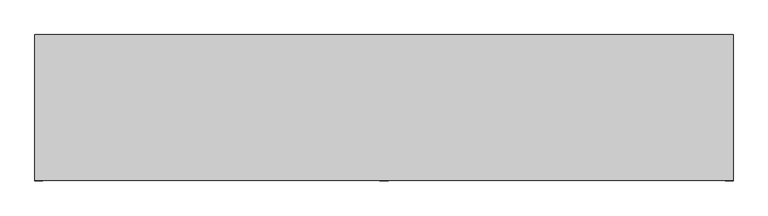
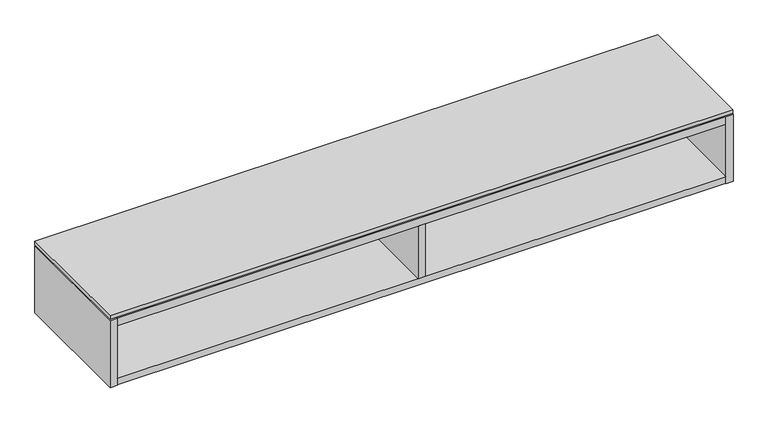
"""IFC4 building model written with IfcOpenShell, lengths in millimetres: furniture geometry."""

from ifc_helpers import new_model, si_unit, frame, origin, place, context, project, spatial, polyline, outline, extrude, faceted_brep, source, transform, mapped, element, save


def furniture_fe9c4eb4(model_context):
    return source(origin(), model_context, "Body", "SolidModel", [
        extrude(outline(polyline([(1216.2234375, -191.0115724), (-457.2, -191.0115724), (-457.2, 158.8226276), (1216.2234375, 158.8226276), (1216.2234375, -191.0115724)])), frame((0.0, 0.0, 511.302), z_axis=(0.0, 0.0, 1.0), x_axis=(1.0, 0.0, 0.0)), (0.0, 0.0, 1.0), 9.779),
        extrude(outline(polyline([(-437.896, 145.5282676), (-437.896, 158.8226276), (1196.9194375, 158.8226276), (1196.9194375, 145.5282676), (-437.896, 145.5282676)])), frame((0.0, 0.0, 410.11475), z_axis=(0.0, 0.0, 1.0), x_axis=(1.0, 0.0, 0.0)), (0.0, 0.0, 1.0), 76.2),
        extrude(outline(polyline([(389.1637187, -191.7735724), (369.8597187, -191.7735724), (369.8597187, 126.2242676), (389.1637187, 126.2242676), (389.1637187, -191.7735724)])), frame((0.0, 0.0, 337.566), z_axis=(0.0, 0.0, 1.0), x_axis=(1.0, 0.0, 0.0)), (0.0, 0.0, 1.0), 148.74875),
        faceted_brep([(1196.9194375, -191.0115724, 337.566), (-437.896, -191.0115724, 337.566), (-437.896, -191.0115724, 318.262), (1196.9194375, -191.0115724, 318.262), (-437.896, 145.5282676, 486.31475), (1196.9194375, 145.5282676, 486.31475), (1196.9194375, 145.5282676, 317.5), (-437.896, 145.5282676, 317.5), (1196.9194375, 126.2242676, 337.566), (-437.896, 126.2242676, 337.566), (-437.896, 126.2242676, 318.262), (1196.9194375, 126.2242676, 318.262), (-437.896, 158.8226276, 508.0), (-457.2, 158.8226276, 508.0), (-457.2, -191.7735724, 508.0), (-437.896, -191.7735724, 508.0), (1196.9194375, -191.7735724, 508.0), (1216.2234375, -191.7735724, 508.0), (1216.2234375, 158.8226276, 508.0), (1196.9194375, 158.8226276, 508.0), (-437.896, -191.7735724, 317.5), (-457.2, -191.7735724, 317.5), (-457.2, 158.8226276, 317.5), (-437.896, 158.8226276, 317.5), (1196.9194375, 158.8226276, 317.5), (1216.2234375, 158.8226276, 317.5), (1216.2234375, -191.7735724, 317.5), (1196.9194375, -191.7735724, 317.5), (1196.9194375, 126.2242676, 317.5), (-437.896, 126.2242676, 317.5), (-437.896, 158.8226276, 507.238), (1196.9194375, 158.8226276, 507.238), (1196.9194375, 158.8226276, 486.31475), (-437.896, 158.8226276, 486.31475), (-437.896, 126.2242676, 486.31475), (-437.896, -191.0115724, 486.31475), (-437.896, -191.0115724, 507.238), (1196.9194375, -191.0115724, 507.238), (1196.9194375, -191.0115724, 486.31475), (1196.9194375, 126.2242676, 486.31475)], [[[0, 1, 2, 3]], [[4, 5, 6, 7]], [[1, 0, 8, 9]], [[3, 2, 10, 11]], [[12, 13, 14, 15]], [[16, 17, 18, 19]], [[20, 21, 22, 23, 7, 6, 24, 25, 26, 27, 28, 29]], [[13, 12, 30, 31, 19, 18, 25, 24, 32, 33, 23, 22]], [[14, 13, 22, 21]], [[15, 14, 21, 20]], [[4, 7, 23, 33]], [[12, 15, 20, 29, 10, 2, 1, 9, 34, 35, 36, 30]], [[6, 5, 32, 24]], [[16, 19, 31, 37, 38, 39, 8, 0, 3, 11, 28, 27]], [[17, 16, 27, 26]], [[18, 17, 26, 25]], [[37, 36, 35, 38]], [[36, 37, 31, 30]], [[33, 32, 5, 4]], [[38, 35, 34, 39]], [[9, 8, 39, 34]], [[29, 28, 11, 10]]]),
    ])


if __name__ == "__main__":
    model = new_model("IFC4")
    model_context = context("Model", 3, world=origin())
    ifc_project = project(units=[si_unit("LENGTHUNIT", "METRE", prefix="MILLI")], contexts=[model_context])
    site = spatial("IfcSite", under=ifc_project)
    building = spatial("IfcBuilding", under=site)
    placement = place(None, origin())
    furniture_shape = furniture_fe9c4eb4(model_context)
    element("IfcFurniture", 1, at=placement, inside=building, context=model_context, shape_type="MappedRepresentation", body=[
        mapped(furniture_shape, transform((0.0, 0.0, 0.0), x_axis=(1.0, 0.0, 0.0), y_axis=(0.0, 1.0, 0.0), z_axis=(0.0, 0.0, 1.0))),
    ])
    save(model, "model.ifc")
